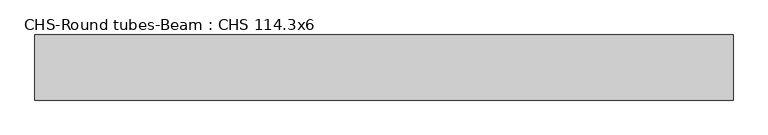
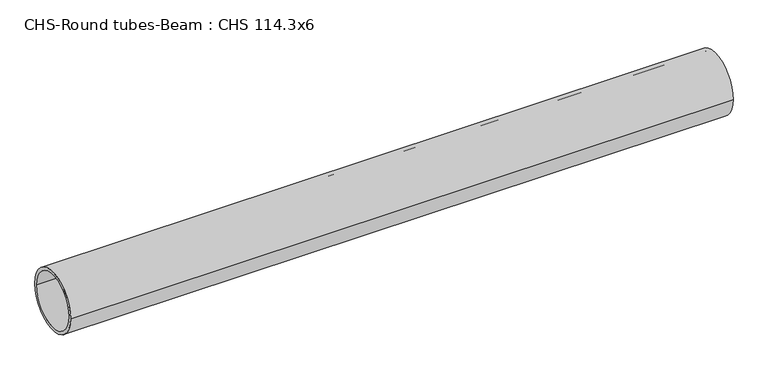
"""IFC4 building model written with IfcOpenShell, lengths in millimetres: beam geometry, CHS-Round tubes-Beam : CHS 114.3x6."""

from ifc_helpers import new_model, si_unit, point, frame, origin, origin_2d, place, context, project, spatial, circle_curve, trimmed, segment, composite_curve, outline, extrude, source, transform, mapped, element, save


def chs_round_tubes_beam_chs_114_3x6_71fd90f9(model_context):
    return source(origin(), model_context, "Body", "SweptSolid", [
        extrude(outline(composite_curve([segment(trimmed(circle_curve(origin_2d(), 57.15), [point((57.15, 0.0))], [point((-57.15, 0.0))], False, "CARTESIAN"), True, "CONTINUOUS"), segment(trimmed(circle_curve(origin_2d(), 57.15), [point((-57.15, 0.0))], [point((57.15, 0.0))], False, "CARTESIAN"), True, "CONTINUOUS")], self_intersect=False), holes=[composite_curve([segment(trimmed(circle_curve(origin_2d(), 51.15), [point((51.15, 0.0))], [point((-51.15, 0.0))], True, "CARTESIAN"), True, "CONTINUOUS"), segment(trimmed(circle_curve(origin_2d(), 51.15), [point((-51.15, 0.0))], [point((51.15, 0.0))], True, "CARTESIAN"), True, "CONTINUOUS")], self_intersect=False)]), frame((-597.2934062, 0.0, 0.0), z_axis=(1.0, 0.0, 0.0), x_axis=(0.0, 1.0, 0.0)), (0.0, 0.0, 1.0), 1224.6231159),
    ])


if __name__ == "__main__":
    model = new_model("IFC4")
    model_context = context("Model", 3, world=origin())
    ifc_project = project(units=[si_unit("LENGTHUNIT", "METRE", prefix="MILLI")], contexts=[model_context])
    site = spatial("IfcSite", under=ifc_project)
    building = spatial("IfcBuilding", under=site)
    placement = place(None, origin())
    chs_round_tubes_beam_chs_114_3x6_shape = chs_round_tubes_beam_chs_114_3x6_71fd90f9(model_context)
    element("IfcBeam", 1, ObjectType="CHS-Round tubes-Beam : CHS 114.3x6", at=placement, inside=building, context=model_context, shape_type="MappedRepresentation", body=[
        mapped(chs_round_tubes_beam_chs_114_3x6_shape, transform((0.0, 0.0, 0.0), x_axis=(1.0, 0.0, 0.0), y_axis=(0.0, 1.0, 0.0), z_axis=(0.0, 0.0, 1.0))),
    ])
    save(model, "model.ifc")
